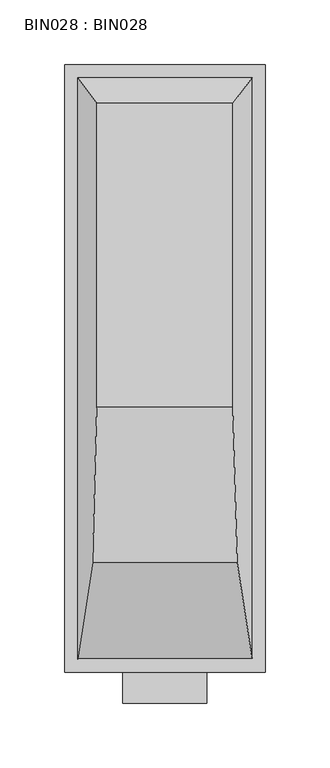
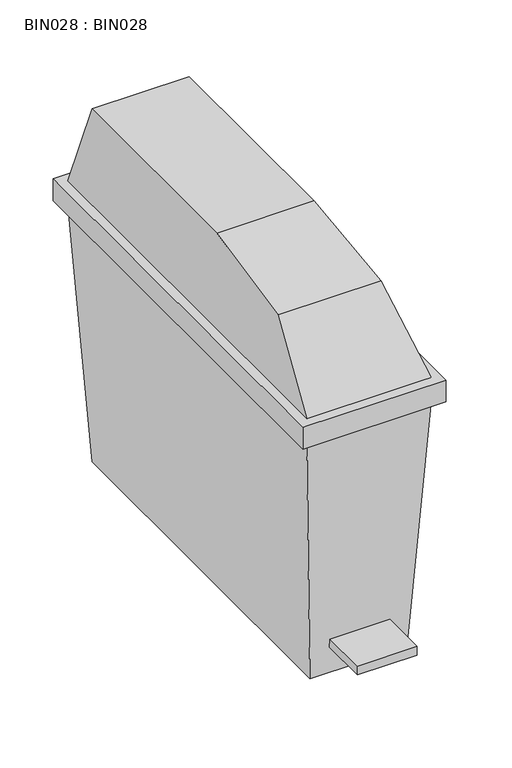
"""IFC4 building model written with IfcOpenShell, lengths in millimetres: proxy geometry, BIN028 : BIN028."""

from ifc_helpers import new_model, si_unit, frame, origin, place, context, project, spatial, polyline, outline, extrude, faceted_brep, source, transform, mapped, element, save


def bin028_bin028_a1cc9109(model_context):
    return source(origin(), model_context, "Body", "SolidModel", [
        faceted_brep([(129.9216254, -30.0000034, 0.0), (129.9216254, -440.0000034, 0.0), (24.9216254, -440.0000034, 0.0), (24.9216254, -30.0000034, 0.0), (144.9999975, -10.0000005, 289.9999949), (10.0000005, -10.0000005, 289.9999949), (10.0000005, -460.0000108, 289.9999949), (144.9999975, -460.0000108, 289.9999949), (44.9999957, -442.7586253, 40.0000021), (109.999999, -442.7586253, 40.0000021), (109.999999, -442.0689697, 29.9999993), (44.9999957, -442.0689697, 29.9999993), (44.9999957, -494.0000067, 40.0000021), (109.999999, -494.0000067, 40.0000021), (109.999999, -494.0000067, 29.9999993), (44.9999957, -494.0000067, 29.9999993)], [[[0, 1, 2, 3]], [[4, 5, 6, 7]], [[0, 3, 5, 4]], [[3, 2, 6, 5]], [[2, 1, 7, 6], [8, 9, 10, 11]], [[1, 0, 4, 7]], [[12, 13, 9, 8]], [[14, 15, 11, 10]], [[13, 12, 15, 14]], [[13, 14, 10, 9]], [[15, 12, 8, 11]]]),
        extrude(outline(polyline([(155.0000048, 0.0), (155.0000048, -470.0000181), (0.0, -470.0000181), (0.0, 0.0), (155.0000048, 0.0)])), frame((0.0, 0.0, 289.9999949), z_axis=(0.0, 0.0, 1.0), x_axis=(1.0, 0.0, 0.0)), (0.0, 0.0, 1.0), 25.0000002),
        faceted_brep([(144.9999975, -460.0000108, 314.9999951), (10.0000005, -460.0000108, 314.9999951), (10.0000005, -10.0000005, 314.9999951), (144.9999975, -10.0000005, 314.9999951), (21.6172074, -385.0000102, 385.0000102), (24.9351792, -265.1157157, 404.9926021), (24.9369167, -29.9999993, 405.0030714), (130.0630791, -29.9999993, 405.0030714), (130.0630791, -265.1157157, 405.0030714), (133.3827889, -385.0000102, 385.0000102)], [[[0, 1, 2, 3]], [[2, 1, 4, 5, 6]], [[0, 3, 7, 8, 9]], [[4, 9, 8, 5]], [[9, 4, 1, 0]], [[7, 6, 5, 8]], [[6, 7, 3, 2]]]),
    ])


if __name__ == "__main__":
    model = new_model("IFC4")
    model_context = context("Model", 3, world=origin())
    ifc_project = project(units=[si_unit("LENGTHUNIT", "METRE", prefix="MILLI")], contexts=[model_context])
    site = spatial("IfcSite", under=ifc_project)
    building = spatial("IfcBuilding", under=site)
    placement = place(None, origin())
    bin028_bin028_shape = bin028_bin028_a1cc9109(model_context)
    element("IfcBuildingElementProxy", 1, Name="BIN028 : BIN028", ObjectType="BIN028 : BIN028", at=placement, inside=building, context=model_context, shape_type="MappedRepresentation", body=[
        mapped(bin028_bin028_shape, transform((0.0, 0.0, 0.0), x_axis=(1.0, 0.0, 0.0), y_axis=(0.0, 1.0, 0.0), z_axis=(0.0, 0.0, 1.0))),
    ])
    save(model, "model.ifc")
